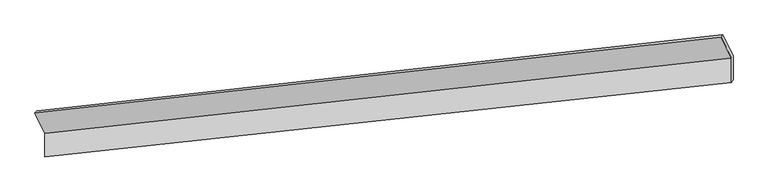
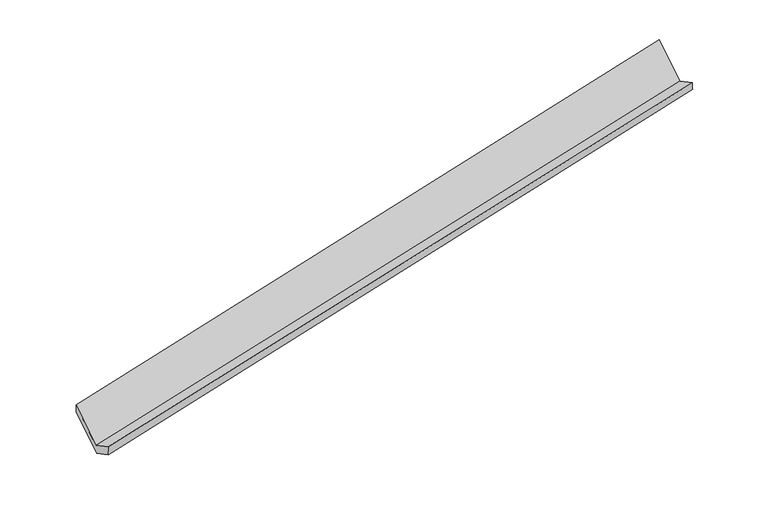
"""IFC4 building model written with IfcOpenShell, lengths in millimetres: proxy geometry."""

from ifc_helpers import new_model, si_unit, frame, origin, place, context, project, spatial, source, transform, mapped, element, save
from ifc_brep_helpers import plane_surface, spline_surface, advanced_brep


def generic_models_673e639e(model_context):
    return source(origin(), model_context, "Body", "AdvancedBrep", [
        advanced_brep(
        [(-8501.2127925, -2132.8003865, 583.6268446), (-8500.9258043, -2521.0334351, 790.5400433), (2860.2525816, -1287.6729399, 3088.9472194), (2859.9525464, -881.7901106, 2872.6273702), (-8468.1690994, -2473.6944841, 603.0220092), (2888.5455996, -1239.9927744, 2923.3371535), (-8468.4436297, -2102.314374, 405.0907748), (2888.2514988, -842.1379934, 2711.2959434), (-8636.543835, -1757.6272191, 1052.0634596), (2720.1512935, -497.4508385, 3358.2686283), (-8665.3923248, -1796.1525177, 1215.5099084), (2691.3028037, -535.976137, 3521.7150771)],
        [
            (0, 1),
            (1, 2),
            (2, 3),
            (3, 0),
            (1, 4),
            (4, 5),
            (5, 2),
            (4, 6),
            (6, 7),
            (7, 5),
            (6, 8),
            (8, 9),
            (9, 7),
            (8, 10),
            (10, 11),
            (11, 9),
            (10, 0),
            (3, 11),
        ],
        [
            plane_surface(frame((-8501.0692984, -2326.9169108, 687.0834439), z_axis=(-0.22376775412237077, 0.45827733320013037, 0.8601801428131245), x_axis=(0.0006523502868525924, -0.8824890330972482, 0.47033252162931205))),
            spline_surface(1, 1, [[(-8500.9258043, -2521.0334351, 790.5400433), (2860.2525816, -1287.6729399, 3088.9472194)], [(-8468.1690994, -2473.6944841, 603.0220092), (2888.5455996, -1239.9927744, 2923.3371535)]], [2, 2], [2, 2], [0.0, 1.0], [0.0, 1.0]),
            plane_surface(frame((-8468.3063645, -2288.0044291, 504.056392), z_axis=(0.22543965571134322, -0.45809512260845126, -0.8598405784068924), x_axis=(-0.0006523502870321861, 0.8824890330972051, -0.47033252162939293))),
            plane_surface(frame((-8552.4937323, -1929.9707966, 728.5771172), z_axis=(-0.002324682416015633, 0.8823064055421728, -0.4706697383419882), x_axis=(-0.2235105199575631, 0.4583052415303686, 0.8602321506745085))),
            plane_surface(frame((-8650.9680799, -1776.8898684, 1133.786684), z_axis=(-0.1484372799854109, 0.9680752817590358, 0.2019817386738129), x_axis=(-0.16931318168979445, -0.22610684060014866, 0.959275113374624))),
            plane_surface(frame((-8583.3025586, -1964.4764521, 899.5683765), z_axis=(0.0023246824160143703, -0.8823064055421717, 0.47066973834199044), x_axis=(0.22351051995755636, -0.4583052415303717, -0.8602321506745085))),
            plane_surface(frame((2818.0760539, -880.836799, 3079.365232), z_axis=(0.9747012988128239, 0.10568543915296327, 0.19694660708841838), x_axis=(-0.16931318168979445, -0.22610684060014866, 0.959275113374624))),
            plane_surface(frame((-8540.1145809, -2130.6037361, 774.9755066), z_axis=(-0.9747012988128232, -0.10568543915294494, -0.1969466070884316), x_axis=(-0.2235105199575594, 0.4583052415303712, 0.8602321506745081))),
        ],
        [
            (0, [[1, 2, 3, 4]]),
            (1, [[5, 6, 7, -2]]),
            (2, [[8, 9, 10, -6]]),
            (3, [[11, 12, 13, -9]]),
            (4, [[14, 15, 16, -12]]),
            (5, [[17, -4, 18, -15]]),
            (6, [[-16, -18, -3, -7, -10, -13]]),
            (7, [[-17, -14, -11, -8, -5, -1]]),
        ],
    ),
    ])


if __name__ == "__main__":
    model = new_model("IFC4")
    model_context = context("Model", 3, world=origin())
    ifc_project = project(units=[si_unit("LENGTHUNIT", "METRE", prefix="MILLI")], contexts=[model_context])
    site = spatial("IfcSite", under=ifc_project)
    building = spatial("IfcBuilding", under=site)
    placement = place(None, origin())
    generic_models_shape = generic_models_673e639e(model_context)
    element("IfcBuildingElementProxy", 1, Name="Generic Models", at=placement, inside=building, context=model_context, shape_type="MappedRepresentation", body=[
        mapped(generic_models_shape, transform((0.0, 0.0, 0.0), x_axis=(1.0, 0.0, 0.0), y_axis=(0.0, 1.0, 0.0), z_axis=(0.0, 0.0, 1.0))),
    ])
    save(model, "model.ifc")
